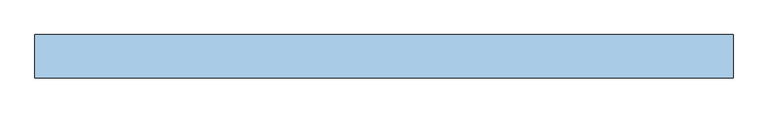
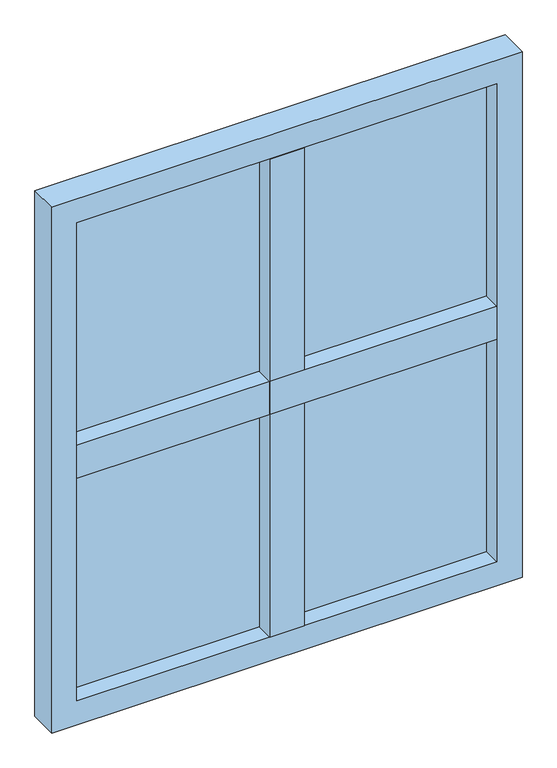
"""IFC4 building model written with IfcOpenShell, lengths in millimetres: window geometry."""

import ifcopenshell
import ifcopenshell.guid

model = None  # the IFC model being written
_history = None  # IfcOwnerHistory: only IFC2X3 demands one
_inside = {}  # id of a spatial element -> (the spatial element, [elements in it])
_under = {}  # id of a project, library or spatial element -> (it, [spatial elements below it])
_declared = {}  # id of a project -> (the project, [libraries it declares])
_typed = {}  # id of a type object -> (the type object, [elements of that type])
_made_of = {}  # id of a material, layer set ... -> (it, [elements and type objects made of it])


def new_model(schema):
    """Start an empty IFC model of exactly this schema.

    Asked for "IFC4X3", IfcOpenShell would pick the latest addendum, in which some entities
    have other attributes; the version numbers below select the first issue.
    IFC2X3 requires an IfcOwnerHistory on every rooted entity: one is made here for all.
    """
    global model, _history
    if schema == "IFC4X3":
        model = ifcopenshell.file(schema_version=(4, 3, 0, 0))
    else:
        model = ifcopenshell.file(schema=schema)
    _inside.clear()
    _under.clear()
    _declared.clear()
    _typed.clear()
    _made_of.clear()
    _history = None
    if model.schema == "IFC2X3":
        org = make("IfcOrganization", Name="unknown")
        user = make(
            "IfcPersonAndOrganization",
            ThePerson=make("IfcPerson", FamilyName="unknown"),
            TheOrganization=org,
        )
        app = make(
            "IfcApplication",
            ApplicationDeveloper=org,
            Version="unknown",
            ApplicationFullName="unknown",
            ApplicationIdentifier="unknown",
        )
        _history = make(
            "IfcOwnerHistory",
            OwningUser=user,
            OwningApplication=app,
            ChangeAction="ADDED",
            CreationDate=0,
        )
    return model


def make(cls, **values):
    """One entity of the class cls with the attributes given. An attribute that is None is left unset."""
    return model.create_entity(
        cls, **{name: value for name, value in values.items() if value is not None}
    )


def rooted(cls, **values):
    """An entity with a GlobalId (a new one), such as an element, a storey or a relation."""
    return make(cls, GlobalId=ifcopenshell.guid.new(), OwnerHistory=_history, **values)


def si_unit(unit_type, name, prefix=None):
    """IfcSIUnit, for example si_unit("LENGTHUNIT", "METRE", prefix="MILLI")."""
    return make("IfcSIUnit", UnitType=unit_type, Prefix=prefix, Name=name)


def assignment(units):
    """IfcUnitAssignment: the units of a project."""
    return None if units is None else make("IfcUnitAssignment", Units=units)


def point(xyz):
    """IfcCartesianPoint."""
    return None if xyz is None else make("IfcCartesianPoint", Coordinates=xyz)


def direction(xyz):
    """IfcDirection."""
    return None if xyz is None else make("IfcDirection", DirectionRatios=xyz)


def frame(location, z_axis=None, x_axis=None):
    """IfcAxis2Placement3D, a coordinate frame: its origin and axes. An axis left out is left unset."""
    return make(
        "IfcAxis2Placement3D",
        Location=point(location),
        Axis=direction(z_axis),
        RefDirection=direction(x_axis),
    )


def origin():
    """The frame at (0, 0, 0) with its axes left unset."""
    return frame((0.0, 0.0, 0.0))


def place(relative_to, where):
    """IfcLocalPlacement: puts the frame where relative to a parent placement (None: the world)."""
    return make(
        "IfcLocalPlacement", PlacementRelTo=relative_to, RelativePlacement=where
    )


def context(
    kind, dimensions, precision=None, world=None, true_north=None, identifier=None
):
    """IfcGeometricRepresentationContext, for example the 3D "Model" context."""
    return make(
        "IfcGeometricRepresentationContext",
        ContextIdentifier=identifier,
        ContextType=kind,
        CoordinateSpaceDimension=dimensions,
        Precision=precision,
        WorldCoordinateSystem=world,
        TrueNorth=true_north,
    )


def project(units=None, contexts=None):
    """IfcProject with its units and contexts."""
    return rooted(
        "IfcProject",
        Name="project",
        RepresentationContexts=contexts,
        UnitsInContext=assignment(units),
    )


def spatial(cls, under=None, at=None, **own):
    """A site, building, storey or space (cls), placed at a placement, below another one or the project."""
    s = rooted(cls, ObjectPlacement=at, **own)
    if under is not None:
        _under.setdefault(under.id(), (under, []))[1].append(s)
    return s


def polyline(points):
    """IfcPolyline through the points."""
    return make("IfcPolyline", Points=[point(p) for p in points])


def outline(outer, holes=None, kind="AREA"):
    """IfcArbitraryClosedProfileDef: a profile drawn as a closed curve; with holes, ...WithVoids."""
    if holes is None:
        return make("IfcArbitraryClosedProfileDef", ProfileType=kind, OuterCurve=outer)
    return make(
        "IfcArbitraryProfileDefWithVoids",
        ProfileType=kind,
        OuterCurve=outer,
        InnerCurves=holes,
    )


def extrude(swept, where, along, depth):
    """IfcExtrudedAreaSolid: the profile swept, set in the frame where, extruded along a direction by depth."""
    return make(
        "IfcExtrudedAreaSolid",
        SweptArea=swept,
        Position=where,
        ExtrudedDirection=direction(along),
        Depth=depth,
    )


def shape(context_of_items, identifier, shape_type, items):
    """IfcShapeRepresentation: the items that make up one representation, for example the "Body"."""
    return make(
        "IfcShapeRepresentation",
        ContextOfItems=context_of_items,
        RepresentationIdentifier=identifier,
        RepresentationType=shape_type,
        Items=items,
    )


def source(mapping_origin, context_of_items, identifier, shape_type, items):
    """IfcRepresentationMap: a shape defined once, which mapped items show again and again."""
    return make(
        "IfcRepresentationMap",
        MappingOrigin=mapping_origin,
        MappedRepresentation=shape(context_of_items, identifier, shape_type, items),
    )


def transform(
    local_origin,
    x_axis=None,
    y_axis=None,
    z_axis=None,
    scale=None,
    scale2=None,
    scale3=None,
    uniform=True,
):
    """IfcCartesianTransformationOperator3D, or its non-uniform kind. x_axis, y_axis, z_axis: its Axis1, 2, 3."""
    if uniform:
        return make(
            "IfcCartesianTransformationOperator3D",
            Axis1=direction(x_axis),
            Axis2=direction(y_axis),
            LocalOrigin=point(local_origin),
            Scale=scale,
            Axis3=direction(z_axis),
        )
    return make(
        "IfcCartesianTransformationOperator3DnonUniform",
        Axis1=direction(x_axis),
        Axis2=direction(y_axis),
        LocalOrigin=point(local_origin),
        Scale=scale,
        Axis3=direction(z_axis),
        Scale2=scale2,
        Scale3=scale3,
    )


def mapped(mapping_source, mapping_target):
    """IfcMappedItem: shows the shape of a source again, moved by a transform."""
    return make(
        "IfcMappedItem", MappingSource=mapping_source, MappingTarget=mapping_target
    )


def made_of(thing, what):
    """Note that an element or type object is made of a material, layer set ...; save() writes the relation."""
    if what is not None:
        _made_of.setdefault(what.id(), (what, []))[1].append(thing)
    return thing


def element(
    cls,
    number,
    at=None,
    inside=None,
    cuts=None,
    type_object=None,
    material=None,
    context=None,
    identifier="Body",
    shape_type=None,
    held_by="IfcProductDefinitionShape",
    body=None,
    shapes=None,
    **own,
):
    """One element of the class cls, such as IfcWall. Its Tag is "e" and its number.

    at: its placement. inside: the storey or other place that contains it. cuts: it is an
    opening in that element (IfcRelVoidsElement). A single representation is given by context,
    identifier, shape_type and body (its items); several are given by shapes. held_by: the class
    of the entity that holds the representations. save() writes the other relations.
    """
    e = rooted(cls, Tag="e%d" % number, ObjectPlacement=at, **own)
    if body is not None:
        shapes = [shape(context, identifier, shape_type, body)]
    if shapes is not None:
        e.Representation = make(held_by, Representations=shapes)
    if inside is not None:
        _inside.setdefault(inside.id(), (inside, []))[1].append(e)
    if cuts is not None:
        rooted(
            "IfcRelVoidsElement", RelatingBuildingElement=cuts, RelatedOpeningElement=e
        )
    if type_object is not None:
        _typed.setdefault(type_object.id(), (type_object, []))[1].append(e)
    return made_of(e, material)


def aggregate(whole, parts):
    """IfcRelAggregates: a whole, such as a stair, and the parts it consists of."""
    return rooted("IfcRelAggregates", RelatingObject=whole, RelatedObjects=parts)


def save(model, path):
    """Write the relations noted so far, then the file.

    IfcRelAggregates (storeys below a building ...), IfcRelContainedInSpatialStructure (elements
    in a storey), IfcRelDefinesByType, IfcRelAssociatesMaterial and IfcRelDeclares: one each for
    every whole, place, type object, material and project.
    """
    for whole, parts in _under.values():
        aggregate(whole, parts)
    for where, things in _inside.values():
        rooted(
            "IfcRelContainedInSpatialStructure",
            RelatedElements=things,
            RelatingStructure=where,
        )
    for kind, things in _typed.values():
        rooted("IfcRelDefinesByType", RelatedObjects=things, RelatingType=kind)
    for what, things in _made_of.values():
        rooted("IfcRelAssociatesMaterial", RelatedObjects=things, RelatingMaterial=what)
    for by, libraries in _declared.values():
        rooted("IfcRelDeclares", RelatingContext=by, RelatedDefinitions=libraries)
    model.write(path)


def window_77d80362(model_context):
    return source(origin(), model_context, "Body", "SweptSolid", [
        extrude(outline(polyline([(-491.0, -34.0), (-491.0, 34.0), (491.0, 34.0), (491.0, -34.0), (-491.0, -34.0)])), frame((0.0, 0.0, 1509.5), z_axis=(0.0, 0.0, 1.0), x_axis=(1.0, 0.0, 0.0)), (0.0, 0.0, 1.0), 81.0),
        extrude(outline(polyline([(491.0, 20.0), (-491.0, 20.0), (-491.0, 26.0), (491.0, 26.0), (491.0, 20.0)])), frame((0.0, 0.0, 959.0), z_axis=(0.0, 0.0, 1.0), x_axis=(1.0, 0.0, 0.0)), (0.0, 0.0, 1.0), 1182.0),
        extrude(outline(polyline([(491.0, 8.0), (-491.0, 8.0), (-491.0, 14.0), (491.0, 14.0), (491.0, 8.0)])), frame((0.0, 0.0, 959.0), z_axis=(0.0, 0.0, 1.0), x_axis=(1.0, 0.0, 0.0)), (0.0, 0.0, 1.0), 1182.0),
        extrude(outline(polyline([(-40.5, 34.0), (40.5, 34.0), (40.5, -34.0), (-40.5, -34.0), (-40.5, 34.0)])), frame((0.0, 0.0, 959.0), z_axis=(0.0, 0.0, 1.0), x_axis=(1.0, 0.0, 0.0)), (0.0, 0.0, 1.0), 1182.0),
        extrude(outline(polyline([(2200.0, 550.0), (2200.0, -550.0), (900.0, -550.0), (900.0, 550.0), (2200.0, 550.0)]), holes=[polyline([(959.0, 491.0), (959.0, -491.0), (2141.0, -491.0), (2141.0, 491.0), (959.0, 491.0)])]), frame((0.0, -34.0, 0.0), z_axis=(0.0, 1.0, 0.0), x_axis=(0.0, 0.0, 1.0)), (0.0, 0.0, 1.0), 68.0),
    ])


if __name__ == "__main__":
    model = new_model("IFC4")
    model_context = context("Model", 3, world=origin())
    ifc_project = project(units=[si_unit("LENGTHUNIT", "METRE", prefix="MILLI")], contexts=[model_context])
    site = spatial("IfcSite", under=ifc_project)
    building = spatial("IfcBuilding", under=site)
    placement = place(None, origin())
    window_shape = window_77d80362(model_context)
    element("IfcWindow", 1, at=placement, inside=building, context=model_context, shape_type="MappedRepresentation", body=[
        mapped(window_shape, transform((0.0, 0.0, 0.0), x_axis=(1.0, 0.0, 0.0), y_axis=(0.0, 1.0, 0.0), z_axis=(0.0, 0.0, 1.0))),
    ])
    save(model, "model.ifc")
